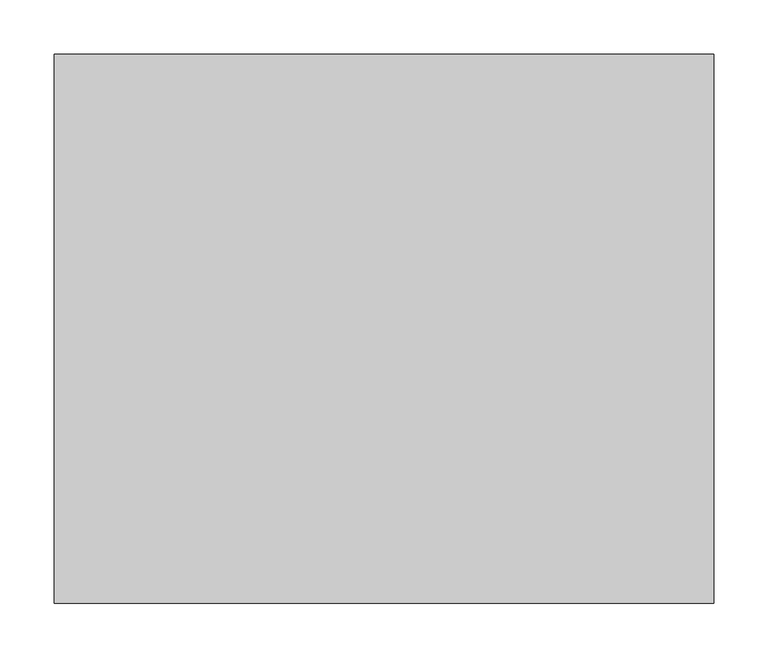
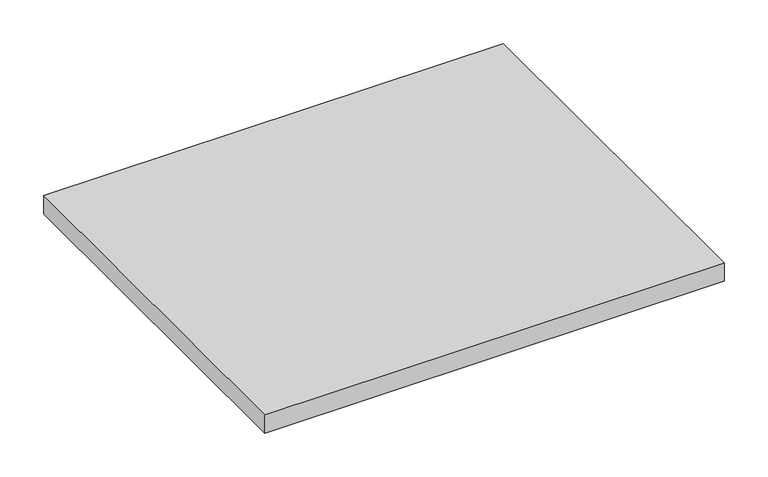
"""IFC4 building model written with IfcOpenShell, lengths in millimetres: furniture geometry."""

from ifc_helpers import new_model, si_unit, frame, origin, place, context, project, spatial, polyline, outline, extrude, source, transform, mapped, element, save


def furniture_35e974db(model_context):
    return source(origin(), model_context, "Body", "SweptSolid", [
        extrude(outline(polyline([(607.9998, -548.7539634), (607.9998, -1053.7059634), (1.6002, -1053.7059634), (1.6002, -548.7539634), (607.9998, -548.7539634)])), frame((0.0, 0.0, 561.975), z_axis=(0.0, 0.0, 1.0), x_axis=(1.0, 0.0, 0.0)), (0.0, 0.0, 1.0), 25.4),
    ])


if __name__ == "__main__":
    model = new_model("IFC4")
    model_context = context("Model", 3, world=origin())
    ifc_project = project(units=[si_unit("LENGTHUNIT", "METRE", prefix="MILLI")], contexts=[model_context])
    site = spatial("IfcSite", under=ifc_project)
    building = spatial("IfcBuilding", under=site)
    placement = place(None, origin())
    furniture_shape = furniture_35e974db(model_context)
    element("IfcFurniture", 1, at=placement, inside=building, context=model_context, shape_type="MappedRepresentation", body=[
        mapped(furniture_shape, transform((0.0, 0.0, 0.0), x_axis=(1.0, 0.0, 0.0), y_axis=(0.0, 1.0, 0.0), z_axis=(0.0, 0.0, 1.0))),
    ])
    save(model, "model.ifc")
